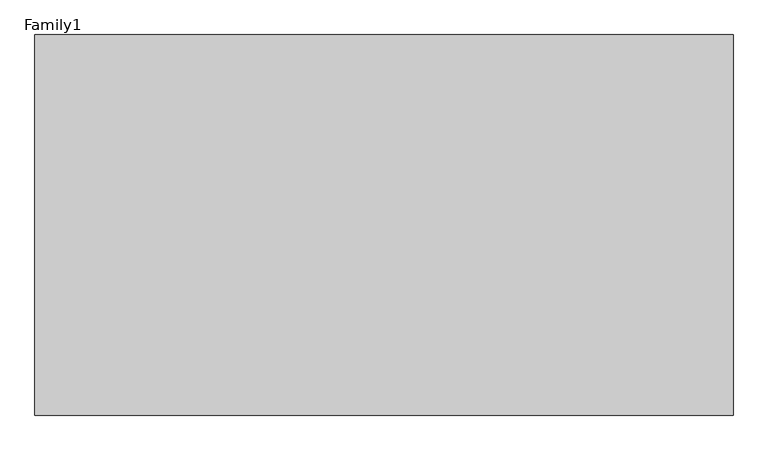
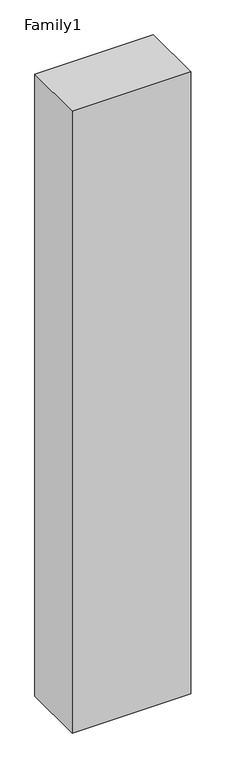
"""IFC4 building model written with IfcOpenShell, lengths in millimetres: proxy geometry, Family1."""

from ifc_helpers import new_model, si_unit, origin, origin_with_axes, place, context, project, spatial, polyline, outline, extrude, source, transform, mapped, element, save


def family1_896059d8(model_context):
    return source(origin(), model_context, "Body", "SweptSolid", [
        extrude(outline(polyline([(5500.0, 0.0), (0.0, 0.0), (0.0, 3000.0), (5500.0, 3000.0), (5500.0, 0.0)])), origin_with_axes(), (0.0, 0.0, 1.0), 30500.0),
    ])


if __name__ == "__main__":
    model = new_model("IFC4")
    model_context = context("Model", 3, world=origin())
    ifc_project = project(units=[si_unit("LENGTHUNIT", "METRE", prefix="MILLI")], contexts=[model_context])
    site = spatial("IfcSite", under=ifc_project)
    building = spatial("IfcBuilding", under=site)
    placement = place(None, origin())
    family1_shape = family1_896059d8(model_context)
    element("IfcBuildingElementProxy", 1, Name="Family1", ObjectType="Family1", at=placement, inside=building, context=model_context, shape_type="MappedRepresentation", body=[
        mapped(family1_shape, transform((0.0, 0.0, 0.0), x_axis=(1.0, 0.0, 0.0), y_axis=(0.0, 1.0, 0.0), z_axis=(0.0, 0.0, 1.0))),
    ])
    save(model, "model.ifc")
